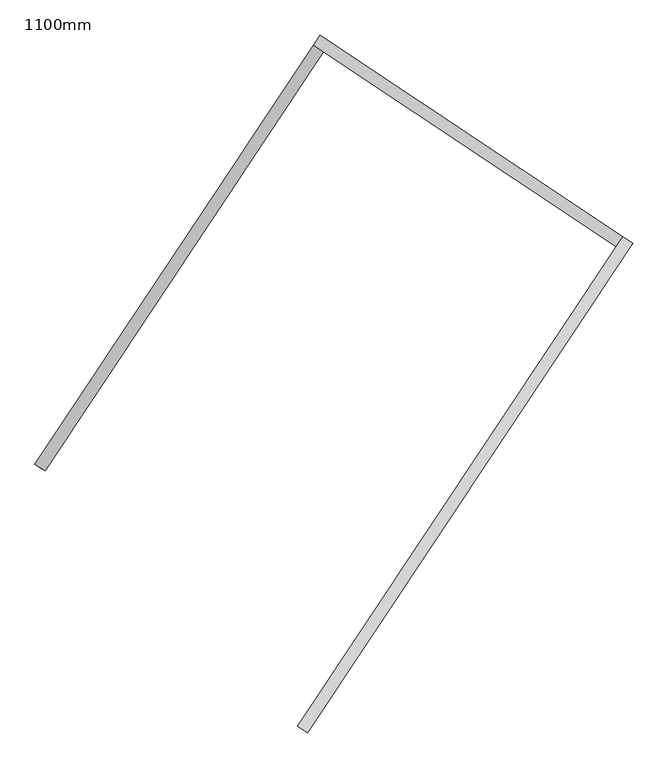
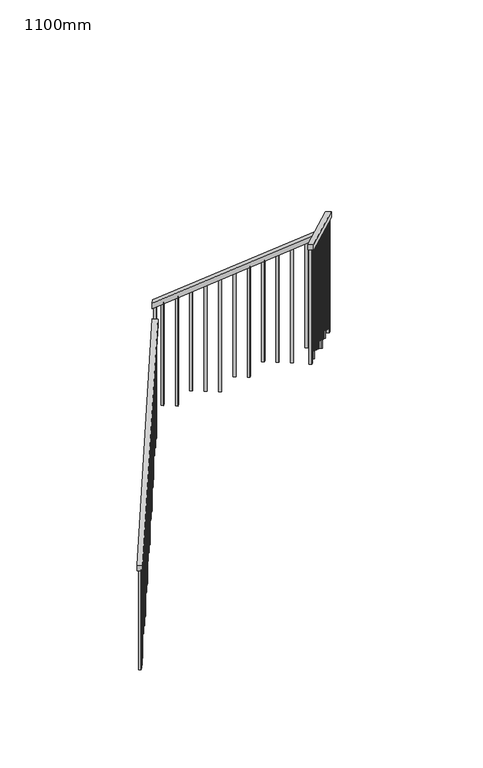
"""IFC4 building model written with IfcOpenShell, lengths in millimetres: railing geometry, 1100mm."""

from ifc_helpers import new_model, si_unit, frame, origin, place, context, project, spatial, polyline, outline, extrude, source, transform, mapped, element, save


def railing_1100mm_87cdbfd9(model_context):
    return source(origin(), model_context, "Body", "SweptSolid", [
        extrude(outline(polyline([(27.7777778, -50.0000001), (0.0, 0.0), (2374.1723105, 0.0), (2401.9500884, -50.0), (27.7777778, -50.0000001)])), frame((-247190.6933465, 56781.2121067, 5889.4687214), z_axis=(-0.8325833518276935, 0.5538997763669553, 0.0), x_axis=(0.48419551975317365, 0.7278087949776976, 0.485642931178933)), (0.0, 0.0, 1.0), 50.0),
        extrude(outline(polyline([(27.7777778, -50.0), (0.0, 0.0), (1716.8535239, 1e-07), (1744.6313017, -50.0), (27.7777778, -50.0)])), frame((-246082.7589182, 58536.8505839, 7208.6909437), z_axis=(0.5538997763679978, 0.8325833518270002, 0.0), x_axis=(0.727808794977507, -0.48419551975436187, 0.48564293117803387)), (0.0, 0.0, 1.0), 50.0),
        extrude(outline(polyline([(-27.7777778, -50.0), (0.0, 0.0), (2774.5579271, 0.0), (2746.7801493, -50.0), (-27.7777778, -50.0)])), frame((-244763.8936674, 57719.4919783, 8265.8888889), z_axis=(-0.8325833518276049, 0.5538997763670885, 0.0), x_axis=(-0.4841955197534929, -0.7278087949779234, 0.4856429311782765)), (0.0, 0.0, 1.0), 50.0),
        extrude(outline(polyline([(1260.6353881, -25.0), (106.9444445, -25.0), (93.0555556, 0.0), (1260.6353881, 0.0), (1260.6353881, -25.0)])), frame((-246075.9654337, 55769.8448487, 9607.3020548), z_axis=(-0.8325833518276039, 0.5538997763670903, 0.0), x_axis=(0.0, 0.0, -1.0000000000000002)), (0.0, 0.0, 1.0), 25.0),
        extrude(outline(polyline([(1191.1909436, -25.0), (106.9444444, -25.0), (93.0555555, 0.0), (1191.1909436, 0.0), (1191.1909436, -25.0)])), frame((-246006.7279617, 55873.9177677, 9537.8576103), z_axis=(-0.8325833518276039, 0.5538997763670903, 0.0), x_axis=(0.0, 0.0, -1.0000000000000002)), (0.0, 0.0, 1.0), 25.0),
        extrude(outline(polyline([(1288.4131659, -25.0), (106.9444445, -25.0), (93.0555556, 0.0), (1288.4131659, 0.0), (1288.4131659, -25.0)])), frame((-245937.4904896, 55977.9906866, 9468.4131659), z_axis=(-0.8325833518276039, 0.5538997763670903, 0.0), x_axis=(0.0, 0.0, -1.0000000000000002)), (0.0, 0.0, 1.0), 25.0),
        extrude(outline(polyline([(1218.9687214, -25.0), (106.9444444, -25.0), (93.0555555, 0.0), (1218.9687214, 0.0), (1218.9687214, -25.0)])), frame((-245868.2530176, 56082.0636056, 9398.9687214), z_axis=(-0.8325833518276039, 0.5538997763670903, 0.0), x_axis=(0.0, 0.0, -1.0000000000000002)), (0.0, 0.0, 1.0), 25.0),
        extrude(outline(polyline([(1149.524277, -25.0), (106.9444445, -25.0), (93.0555556, 0.0), (1149.524277, 0.0), (1149.524277, -25.0)])), frame((-245799.0155455, 56186.1365246, 9329.524277), z_axis=(-0.8325833518276039, 0.5538997763670903, 0.0), x_axis=(0.0, 0.0, -1.0000000000000002)), (0.0, 0.0, 1.0), 25.0),
        extrude(outline(polyline([(1246.7464992, -25.0), (106.9444444, -25.0), (93.0555555, 0.0), (1246.7464992, 0.0), (1246.7464992, -25.0)])), frame((-245729.7780735, 56290.2094436, 9260.0798325), z_axis=(-0.8325833518276039, 0.5538997763670903, 0.0), x_axis=(0.0, 0.0, -1.0000000000000002)), (0.0, 0.0, 1.0), 25.0),
        extrude(outline(polyline([(1177.3020548, -25.0), (106.9444444, -25.0), (93.0555555, 0.0), (1177.3020548, 0.0), (1177.3020548, -25.0)])), frame((-245660.5406014, 56394.2823626, 9190.6353881), z_axis=(-0.8325833518276039, 0.5538997763670903, 0.0), x_axis=(0.0, 0.0, -1.0000000000000002)), (0.0, 0.0, 1.0), 25.0),
        extrude(outline(polyline([(1274.524277, -25.0), (106.9444445, -25.0), (93.0555556, 0.0), (1274.524277, 0.0), (1274.524277, -25.0)])), frame((-245591.3031294, 56498.3552815, 9121.1909437), z_axis=(-0.8325833518276039, 0.5538997763670903, 0.0), x_axis=(0.0, 0.0, -1.0000000000000002)), (0.0, 0.0, 1.0), 25.0),
        extrude(outline(polyline([(1205.0798325, -25.0000001), (106.9444444, -25.0000001), (93.0555555, 0.0), (1205.0798325, 0.0), (1205.0798325, -25.0000001)])), frame((-245522.0656574, 56602.4282005, 9051.7464992), z_axis=(-0.8325833518276039, 0.5538997763670903, 0.0), x_axis=(0.0, 0.0, -1.0000000000000002)), (0.0, 0.0, 1.0), 25.0),
        extrude(outline(polyline([(1302.3020548, -25.0), (106.9444445, -25.0), (93.0555556, 0.0), (1302.3020548, 0.0), (1302.3020548, -25.0)])), frame((-245452.8281853, 56706.5011195, 8982.3020548), z_axis=(-0.8325833518276039, 0.5538997763670903, 0.0), x_axis=(0.0, 0.0, -1.0000000000000002)), (0.0, 0.0, 1.0), 25.0),
        extrude(outline(polyline([(1232.8576103, -25.0), (106.9444444, -25.0), (93.0555555, 0.0), (1232.8576103, 0.0), (1232.8576103, -25.0)])), frame((-245383.5907133, 56810.5740385, 8912.8576103), z_axis=(-0.8325833518276039, 0.5538997763670903, 0.0), x_axis=(0.0, 0.0, -1.0000000000000002)), (0.0, 0.0, 1.0), 25.0),
        extrude(outline(polyline([(1163.4131659, -24.9999999), (106.9444445, -24.9999999), (93.0555556, 0.0), (1163.4131659, 0.0), (1163.4131659, -24.9999999)])), frame((-245314.3532412, 56914.6469575, 8843.4131659), z_axis=(-0.8325833518276039, 0.5538997763670903, 0.0), x_axis=(0.0, 0.0, -1.0000000000000002)), (0.0, 0.0, 1.0), 25.0),
        extrude(outline(polyline([(1260.6353881, -25.0), (106.9444444, -25.0), (93.0555555, 0.0), (1260.6353881, 0.0), (1260.6353881, -25.0)])), frame((-245245.1157692, 57018.7198764, 8773.9687214), z_axis=(-0.8325833518276039, 0.5538997763670903, 0.0), x_axis=(0.0, 0.0, -1.0000000000000002)), (0.0, 0.0, 1.0), 25.0),
        extrude(outline(polyline([(1191.1909437, -25.0), (106.9444445, -25.0), (93.0555556, 0.0), (1191.1909437, 0.0), (1191.1909437, -25.0)])), frame((-245175.8782971, 57122.7927954, 8704.524277), z_axis=(-0.8325833518276039, 0.5538997763670903, 0.0), x_axis=(0.0, 0.0, -1.0000000000000002)), (0.0, 0.0, 1.0), 25.0),
        extrude(outline(polyline([(1288.4131658, -25.0), (106.9444444, -25.0), (93.0555555, 0.0), (1288.4131658, 0.0), (1288.4131658, -25.0)])), frame((-245106.6408251, 57226.8657144, 8635.0798325), z_axis=(-0.8325833518276039, 0.5538997763670903, 0.0), x_axis=(0.0, 0.0, -1.0000000000000002)), (0.0, 0.0, 1.0), 25.0),
        extrude(outline(polyline([(1218.9687214, -25.0), (106.9444444, -25.0), (93.0555556, 0.0), (1218.9687214, 0.0), (1218.9687214, -25.0)])), frame((-245037.403353, 57330.9386334, 8565.6353881), z_axis=(-0.8325833518276039, 0.5538997763670903, 0.0), x_axis=(0.0, 0.0, -1.0000000000000002)), (0.0, 0.0, 1.0), 25.0),
        extrude(outline(polyline([(1149.524277, -25.0), (106.9444445, -25.0), (93.0555556, 0.0), (1149.524277, 0.0), (1149.524277, -25.0)])), frame((-244968.165881, 57435.0115523, 8496.1909437), z_axis=(-0.8325833518276039, 0.5538997763670903, 0.0), x_axis=(0.0, 0.0, -1.0000000000000002)), (0.0, 0.0, 1.0), 25.0),
        extrude(outline(polyline([(1246.7464992, -25.0), (106.9444444, -25.0), (93.0555555, 0.0), (1246.7464992, 0.0), (1246.7464992, -25.0)])), frame((-244898.9284089, 57539.0844713, 8426.7464992), z_axis=(-0.8325833518276039, 0.5538997763670903, 0.0), x_axis=(0.0, 0.0, -1.0000000000000002)), (0.0, 0.0, 1.0), 25.0),
        extrude(outline(polyline([(1177.3020548, -25.0), (106.9444445, -25.0), (93.0555556, 0.0), (1177.3020548, 0.0), (1177.3020548, -25.0)])), frame((-244829.6909369, 57643.1573903, 8357.3020548), z_axis=(-0.8325833518276039, 0.5538997763670903, 0.0), x_axis=(0.0, 0.0, -1.0000000000000002)), (0.0, 0.0, 1.0), 25.0),
        extrude(outline(polyline([(106.9444445, 0.0), (1274.524277, 0.0), (1274.524277, -25.0), (93.0555556, -25.0), (106.9444445, 0.0)])), frame((-244868.5893108, 57744.1032, 8121.1909437), z_axis=(0.5538997763679924, 0.8325833518270036, 0.0), x_axis=(0.0, 0.0, -1.0)), (0.0, 0.0, 1.0), 25.0),
        extrude(outline(polyline([(106.9444444, 0.0), (1205.0798325, 0.0), (1205.0798325, -25.0), (93.0555555, -25.0), (106.9444444, 0.0)])), frame((-244972.6622298, 57813.3406721, 8051.7464992), z_axis=(0.5538997763679924, 0.8325833518270036, 0.0), x_axis=(0.0, 0.0, -1.0)), (0.0, 0.0, 1.0), 25.0),
        extrude(outline(polyline([(106.9444445, 0.0), (1302.3020548, 0.0), (1302.3020548, -25.0), (93.0555556, -25.0), (106.9444445, 0.0)])), frame((-245076.7351488, 57882.5781441, 7982.3020548), z_axis=(0.5538997763679924, 0.8325833518270036, 0.0), x_axis=(0.0, 0.0, -1.0)), (0.0, 0.0, 1.0), 25.0),
        extrude(outline(polyline([(106.9444444, 0.0), (1232.8576103, 0.0), (1232.8576103, -25.0), (93.0555555, -25.0), (106.9444444, 0.0)])), frame((-245180.8080678, 57951.8156162, 7912.8576103), z_axis=(0.5538997763679924, 0.8325833518270036, 0.0), x_axis=(0.0, 0.0, -1.0)), (0.0, 0.0, 1.0), 25.0),
        extrude(outline(polyline([(106.9444445, 0.0), (1163.4131659, 0.0), (1163.4131659, -25.0), (93.0555556, -25.0), (106.9444445, 0.0)])), frame((-245284.8809868, 58021.0530882, 7843.4131659), z_axis=(0.5538997763679924, 0.8325833518270036, 0.0), x_axis=(0.0, 0.0, -1.0)), (0.0, 0.0, 1.0), 25.0),
        extrude(outline(polyline([(106.9444444, 0.0), (1260.6353881, 0.0), (1260.6353881, -25.0), (93.0555555, -25.0), (106.9444444, 0.0)])), frame((-245388.9539057, 58090.2905603, 7773.9687214), z_axis=(0.5538997763679924, 0.8325833518270036, 0.0), x_axis=(0.0, 0.0, -1.0)), (0.0, 0.0, 1.0), 25.0),
        extrude(outline(polyline([(106.9444445, 0.0), (1191.1909437, 0.0), (1191.1909437, -25.0), (93.0555556, -25.0), (106.9444445, 0.0)])), frame((-245493.0268247, 58159.5280323, 7704.524277), z_axis=(0.5538997763679924, 0.8325833518270036, 0.0), x_axis=(0.0, 0.0, -1.0)), (0.0, 0.0, 1.0), 25.0),
        extrude(outline(polyline([(106.9444444, 0.0), (1288.4131658, 0.0), (1288.4131658, -25.0), (93.0555555, -25.0), (106.9444444, 0.0)])), frame((-245597.0997437, 58228.7655044, 7635.0798325), z_axis=(0.5538997763679924, 0.8325833518270036, 0.0), x_axis=(0.0, 0.0, -1.0)), (0.0, 0.0, 1.0), 25.0),
        extrude(outline(polyline([(106.9444444, 0.0), (1218.9687214, 0.0), (1218.9687214, -25.0), (93.0555556, -25.0), (106.9444444, 0.0)])), frame((-245701.1726627, 58298.0029764, 7565.6353881), z_axis=(0.5538997763679924, 0.8325833518270036, 0.0), x_axis=(0.0, 0.0, -1.0)), (0.0, 0.0, 1.0), 25.0),
        extrude(outline(polyline([(106.9444445, 0.0), (1149.524277, 0.0), (1149.524277, -25.0), (93.0555556, -25.0), (106.9444445, 0.0)])), frame((-245805.2455816, 58367.2404485, 7496.1909437), z_axis=(0.5538997763679924, 0.8325833518270036, 0.0), x_axis=(0.0, 0.0, -1.0)), (0.0, 0.0, 1.0), 25.0),
        extrude(outline(polyline([(106.9444444, 0.0), (1246.7464992, 0.0), (1246.7464992, -25.0), (93.0555555, -25.0), (106.9444444, 0.0)])), frame((-245909.3185006, 58436.4779205, 7426.7464992), z_axis=(0.5538997763679924, 0.8325833518270036, 0.0), x_axis=(0.0, 0.0, -1.0)), (0.0, 0.0, 1.0), 25.0),
        extrude(outline(polyline([(106.9444445, 0.0), (1177.3020548, 0.0), (1177.3020548, -25.0000001), (93.0555556, -25.0000001), (106.9444445, 0.0)])), frame((-246013.3914196, 58505.7153926, 7357.3020548), z_axis=(0.5538997763679924, 0.8325833518270036, 0.0), x_axis=(0.0, 0.0, -1.0)), (0.0, 0.0, 1.0), 25.0),
        extrude(outline(polyline([(106.9444445, 0.0), (1288.6353881, 0.0), (1288.6353881, -25.0), (93.0555556, -25.0), (106.9444445, 0.0)])), frame((-246065.6060968, 58494.9317251, 7135.3020548), z_axis=(-0.8325833518276953, 0.5538997763669528, 0.0), x_axis=(0.0, 0.0, -1.0)), (0.0, 0.0, 1.0), 25.0),
        extrude(outline(polyline([(106.9444444, 0.0), (1219.1909436, 0.0), (1219.1909436, -25.0), (93.0555555, -25.0), (106.9444444, 0.0)])), frame((-246134.8435689, 58390.8588061, 7065.8576103), z_axis=(-0.8325833518276953, 0.5538997763669528, 0.0), x_axis=(0.0, 0.0, -1.0)), (0.0, 0.0, 1.0), 25.0),
        extrude(outline(polyline([(106.9444445, 0.0), (1149.7464992, 0.0), (1149.7464992, -25.0), (93.0555556, -25.0), (106.9444445, 0.0)])), frame((-246204.0810409, 58286.7858872, 6996.4131659), z_axis=(-0.8325833518276953, 0.5538997763669528, 0.0), x_axis=(0.0, 0.0, -1.0)), (0.0, 0.0, 1.0), 25.0),
        extrude(outline(polyline([(106.9444444, 0.0), (1246.9687214, 0.0), (1246.9687214, -25.0), (93.0555555, -25.0), (106.9444444, 0.0)])), frame((-246273.318513, 58182.7129682, 6926.9687214), z_axis=(-0.8325833518276953, 0.5538997763669528, 0.0), x_axis=(0.0, 0.0, -1.0)), (0.0, 0.0, 1.0), 25.0),
        extrude(outline(polyline([(106.9444445, 0.0), (1177.524277, 0.0), (1177.524277, -25.0), (93.0555556, -25.0), (106.9444445, 0.0)])), frame((-246342.555985, 58078.6400492, 6857.524277), z_axis=(-0.8325833518276953, 0.5538997763669528, 0.0), x_axis=(0.0, 0.0, -1.0)), (0.0, 0.0, 1.0), 25.0),
        extrude(outline(polyline([(106.9444444, 0.0), (1274.7464992, 0.0), (1274.7464992, -25.0000001), (93.0555555, -25.0000001), (106.9444444, 0.0)])), frame((-246411.7934571, 57974.5671302, 6788.0798325), z_axis=(-0.8325833518276953, 0.5538997763669528, 0.0), x_axis=(0.0, 0.0, -1.0)), (0.0, 0.0, 1.0), 25.0),
        extrude(outline(polyline([(106.9444444, 0.0), (1205.3020548, 0.0), (1205.3020548, -25.0), (93.0555556, -25.0), (106.9444444, 0.0)])), frame((-246481.0309291, 57870.4942113, 6718.6353881), z_axis=(-0.8325833518276953, 0.5538997763669528, 0.0), x_axis=(0.0, 0.0, -1.0)), (0.0, 0.0, 1.0), 25.0),
        extrude(outline(polyline([(106.9444445, 0.0), (1302.524277, 0.0), (1302.524277, -25.0), (93.0555556, -25.0), (106.9444445, 0.0)])), frame((-246550.2684011, 57766.4212923, 6649.1909437), z_axis=(-0.8325833518276953, 0.5538997763669528, 0.0), x_axis=(0.0, 0.0, -1.0)), (0.0, 0.0, 1.0), 25.0),
        extrude(outline(polyline([(106.9444444, 0.0), (1233.0798325, 0.0), (1233.0798325, -25.0), (93.0555555, -25.0), (106.9444444, 0.0)])), frame((-246619.5058732, 57662.3483733, 6579.7464992), z_axis=(-0.8325833518276953, 0.5538997763669528, 0.0), x_axis=(0.0, 0.0, -1.0)), (0.0, 0.0, 1.0), 25.0),
        extrude(outline(polyline([(106.9444445, 0.0), (1163.6353881, 0.0), (1163.6353881, -25.0), (93.0555556, -25.0), (106.9444445, 0.0)])), frame((-246688.7433452, 57558.2754543, 6510.3020548), z_axis=(-0.8325833518276953, 0.5538997763669528, 0.0), x_axis=(0.0, 0.0, -1.0)), (0.0, 0.0, 1.0), 25.0),
        extrude(outline(polyline([(106.9444444, 0.0), (1260.8576103, 0.0), (1260.8576103, -25.0), (93.0555555, -25.0), (106.9444444, 0.0)])), frame((-246757.9808173, 57454.2025353, 6440.8576103), z_axis=(-0.8325833518276953, 0.5538997763669528, 0.0), x_axis=(0.0, 0.0, -1.0)), (0.0, 0.0, 1.0), 25.0),
        extrude(outline(polyline([(106.9444445, 0.0), (1191.4131659, 0.0), (1191.4131659, -25.0), (93.0555556, -25.0), (106.9444445, 0.0)])), frame((-246827.2182893, 57350.1296164, 6371.4131659), z_axis=(-0.8325833518276953, 0.5538997763669528, 0.0), x_axis=(0.0, 0.0, -1.0)), (0.0, 0.0, 1.0), 25.0),
        extrude(outline(polyline([(106.9444444, 0.0), (1288.6353881, 0.0), (1288.6353881, -25.0), (93.0555555, -25.0), (106.9444444, 0.0)])), frame((-246896.4557614, 57246.0566974, 6301.9687214), z_axis=(-0.8325833518276953, 0.5538997763669528, 0.0), x_axis=(0.0, 0.0, -1.0)), (0.0, 0.0, 1.0), 25.0),
        extrude(outline(polyline([(106.9444445, 0.0), (1219.1909437, 0.0), (1219.1909437, -25.0), (93.0555556, -25.0), (106.9444445, 0.0)])), frame((-246965.6932334, 57141.9837784, 6232.524277), z_axis=(-0.8325833518276953, 0.5538997763669528, 0.0), x_axis=(0.0, 0.0, -1.0)), (0.0, 0.0, 1.0), 25.0),
        extrude(outline(polyline([(106.9444444, 0.0), (1149.7464992, 0.0), (1149.7464992, -25.0), (93.0555555, -25.0), (106.9444444, 0.0)])), frame((-247034.9307055, 57037.9108594, 6163.0798325), z_axis=(-0.8325833518276953, 0.5538997763669528, 0.0), x_axis=(0.0, 0.0, -1.0)), (0.0, 0.0, 1.0), 25.0),
        extrude(outline(polyline([(106.9444444, 0.0), (1246.9687214, 0.0), (1246.9687214, -24.9999999), (93.0555556, -24.9999999), (106.9444444, 0.0)])), frame((-247104.1681775, 56933.8379405, 6093.6353881), z_axis=(-0.8325833518276953, 0.5538997763669528, 0.0), x_axis=(0.0, 0.0, -1.0)), (0.0, 0.0, 1.0), 25.0),
        extrude(outline(polyline([(106.9444445, 0.0), (1177.524277, 0.0), (1177.524277, -25.0000001), (93.0555556, -25.0000001), (106.9444445, 0.0)])), frame((-247173.4056496, 56829.7650215, 6024.1909437), z_axis=(-0.8325833518276953, 0.5538997763669528, 0.0), x_axis=(0.0, 0.0, -1.0)), (0.0, 0.0, 1.0), 25.0),
        extrude(outline(polyline([(1309.2464993, -25.0), (106.9444445, -25.0), (93.0555556, 0.0), (1309.2464993, 0.0), (1309.2464993, -25.0)])), frame((-244795.0722009, 57695.1938498, 8322.5798326), z_axis=(-0.8325833518276039, 0.5538997763670903, 0.0), x_axis=(0.0, 0.0, -1.0000000000000002)), (0.0, 0.0, 1.0), 25.0),
        extrude(outline(polyline([(106.9444445, 0.0), (1309.2464993, 0.0), (1309.2464993, -25.0), (93.0555556, -25.0), (106.9444445, 0.0)])), frame((-246065.4278791, 58540.3341286, 7322.5798326), z_axis=(0.5538997763679924, 0.8325833518270036, 0.0), x_axis=(0.0, 0.0, -1.0)), (0.0, 0.0, 1.0), 25.0),
        extrude(outline(polyline([(1302.524277, -25.0), (106.9444445, -25.0), (93.0555556, 0.0), (1302.524277, 0.0), (1302.524277, -25.0)])), frame((-246117.7294769, 55707.068064, 9649.1909437), z_axis=(-0.8325833518276039, 0.5538997763670903, 0.0), x_axis=(0.0, 0.0, -1.0000000000000002)), (0.0, 0.0, 1.0), 25.0),
        extrude(outline(polyline([(106.9444445, 0.0), (1149.7464992, 0.0), (1149.7464992, -25.0), (93.0555556, -25.0), (106.9444445, 0.0)])), frame((-247201.1006384, 56788.1358539, 5996.4131659), z_axis=(-0.8325833518276953, 0.5538997763669528, 0.0), x_axis=(0.0, 0.0, -1.0)), (0.0, 0.0, 1.0), 25.0),
    ])


if __name__ == "__main__":
    model = new_model("IFC4")
    model_context = context("Model", 3, world=origin())
    ifc_project = project(units=[si_unit("LENGTHUNIT", "METRE", prefix="MILLI")], contexts=[model_context])
    site = spatial("IfcSite", under=ifc_project)
    building = spatial("IfcBuilding", under=site)
    placement = place(None, origin())
    railing_1100mm_shape = railing_1100mm_87cdbfd9(model_context)
    element("IfcRailing", 1, ObjectType="1100mm", at=placement, inside=building, context=model_context, shape_type="MappedRepresentation", body=[
        mapped(railing_1100mm_shape, transform((0.0, 0.0, 0.0), x_axis=(1.0, 0.0, 0.0), y_axis=(0.0, 1.0, 0.0), z_axis=(0.0, 0.0, 1.0))),
    ])
    save(model, "model.ifc")
